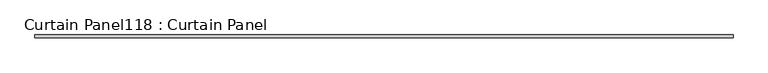
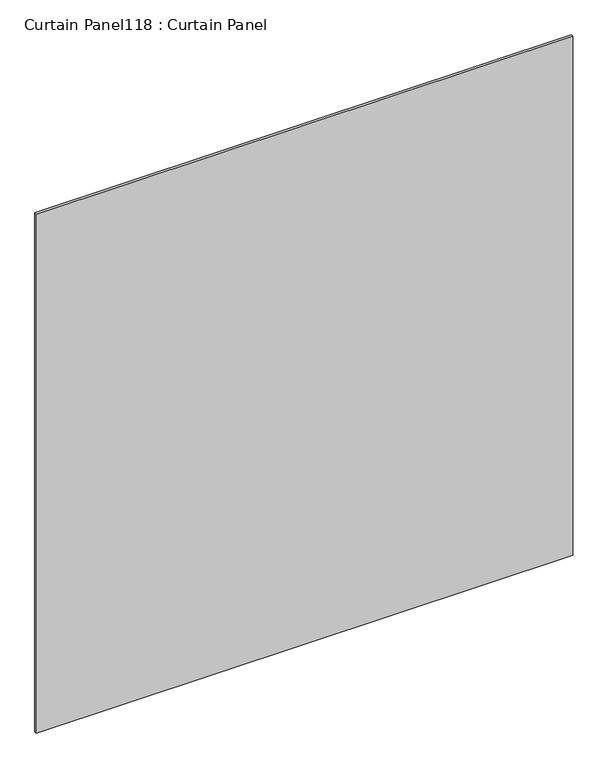
"""IFC4 building model written with IfcOpenShell, lengths in millimetres: plate geometry, Curtain Panel118 : Curtain Panel."""

import ifcopenshell
import ifcopenshell.guid

model = None  # the IFC model being written
_history = None  # IfcOwnerHistory: only IFC2X3 demands one
_inside = {}  # id of a spatial element -> (the spatial element, [elements in it])
_under = {}  # id of a project, library or spatial element -> (it, [spatial elements below it])
_declared = {}  # id of a project -> (the project, [libraries it declares])
_typed = {}  # id of a type object -> (the type object, [elements of that type])
_made_of = {}  # id of a material, layer set ... -> (it, [elements and type objects made of it])


def new_model(schema):
    """Start an empty IFC model of exactly this schema.

    Asked for "IFC4X3", IfcOpenShell would pick the latest addendum, in which some entities
    have other attributes; the version numbers below select the first issue.
    IFC2X3 requires an IfcOwnerHistory on every rooted entity: one is made here for all.
    """
    global model, _history
    if schema == "IFC4X3":
        model = ifcopenshell.file(schema_version=(4, 3, 0, 0))
    else:
        model = ifcopenshell.file(schema=schema)
    _inside.clear()
    _under.clear()
    _declared.clear()
    _typed.clear()
    _made_of.clear()
    _history = None
    if model.schema == "IFC2X3":
        org = make("IfcOrganization", Name="unknown")
        user = make(
            "IfcPersonAndOrganization",
            ThePerson=make("IfcPerson", FamilyName="unknown"),
            TheOrganization=org,
        )
        app = make(
            "IfcApplication",
            ApplicationDeveloper=org,
            Version="unknown",
            ApplicationFullName="unknown",
            ApplicationIdentifier="unknown",
        )
        _history = make(
            "IfcOwnerHistory",
            OwningUser=user,
            OwningApplication=app,
            ChangeAction="ADDED",
            CreationDate=0,
        )
    return model


def make(cls, **values):
    """One entity of the class cls with the attributes given. An attribute that is None is left unset."""
    return model.create_entity(
        cls, **{name: value for name, value in values.items() if value is not None}
    )


def rooted(cls, **values):
    """An entity with a GlobalId (a new one), such as an element, a storey or a relation."""
    return make(cls, GlobalId=ifcopenshell.guid.new(), OwnerHistory=_history, **values)


def si_unit(unit_type, name, prefix=None):
    """IfcSIUnit, for example si_unit("LENGTHUNIT", "METRE", prefix="MILLI")."""
    return make("IfcSIUnit", UnitType=unit_type, Prefix=prefix, Name=name)


def assignment(units):
    """IfcUnitAssignment: the units of a project."""
    return None if units is None else make("IfcUnitAssignment", Units=units)


def point(xyz):
    """IfcCartesianPoint."""
    return None if xyz is None else make("IfcCartesianPoint", Coordinates=xyz)


def direction(xyz):
    """IfcDirection."""
    return None if xyz is None else make("IfcDirection", DirectionRatios=xyz)


def frame(location, z_axis=None, x_axis=None):
    """IfcAxis2Placement3D, a coordinate frame: its origin and axes. An axis left out is left unset."""
    return make(
        "IfcAxis2Placement3D",
        Location=point(location),
        Axis=direction(z_axis),
        RefDirection=direction(x_axis),
    )


def origin():
    """The frame at (0, 0, 0) with its axes left unset."""
    return frame((0.0, 0.0, 0.0))


def place(relative_to, where):
    """IfcLocalPlacement: puts the frame where relative to a parent placement (None: the world)."""
    return make(
        "IfcLocalPlacement", PlacementRelTo=relative_to, RelativePlacement=where
    )


def context(
    kind, dimensions, precision=None, world=None, true_north=None, identifier=None
):
    """IfcGeometricRepresentationContext, for example the 3D "Model" context."""
    return make(
        "IfcGeometricRepresentationContext",
        ContextIdentifier=identifier,
        ContextType=kind,
        CoordinateSpaceDimension=dimensions,
        Precision=precision,
        WorldCoordinateSystem=world,
        TrueNorth=true_north,
    )


def project(units=None, contexts=None):
    """IfcProject with its units and contexts."""
    return rooted(
        "IfcProject",
        Name="project",
        RepresentationContexts=contexts,
        UnitsInContext=assignment(units),
    )


def spatial(cls, under=None, at=None, **own):
    """A site, building, storey or space (cls), placed at a placement, below another one or the project."""
    s = rooted(cls, ObjectPlacement=at, **own)
    if under is not None:
        _under.setdefault(under.id(), (under, []))[1].append(s)
    return s


def polyline(points):
    """IfcPolyline through the points."""
    return make("IfcPolyline", Points=[point(p) for p in points])


def outline(outer, holes=None, kind="AREA"):
    """IfcArbitraryClosedProfileDef: a profile drawn as a closed curve; with holes, ...WithVoids."""
    if holes is None:
        return make("IfcArbitraryClosedProfileDef", ProfileType=kind, OuterCurve=outer)
    return make(
        "IfcArbitraryProfileDefWithVoids",
        ProfileType=kind,
        OuterCurve=outer,
        InnerCurves=holes,
    )


def extrude(swept, where, along, depth):
    """IfcExtrudedAreaSolid: the profile swept, set in the frame where, extruded along a direction by depth."""
    return make(
        "IfcExtrudedAreaSolid",
        SweptArea=swept,
        Position=where,
        ExtrudedDirection=direction(along),
        Depth=depth,
    )


def shape(context_of_items, identifier, shape_type, items):
    """IfcShapeRepresentation: the items that make up one representation, for example the "Body"."""
    return make(
        "IfcShapeRepresentation",
        ContextOfItems=context_of_items,
        RepresentationIdentifier=identifier,
        RepresentationType=shape_type,
        Items=items,
    )


def source(mapping_origin, context_of_items, identifier, shape_type, items):
    """IfcRepresentationMap: a shape defined once, which mapped items show again and again."""
    return make(
        "IfcRepresentationMap",
        MappingOrigin=mapping_origin,
        MappedRepresentation=shape(context_of_items, identifier, shape_type, items),
    )


def transform(
    local_origin,
    x_axis=None,
    y_axis=None,
    z_axis=None,
    scale=None,
    scale2=None,
    scale3=None,
    uniform=True,
):
    """IfcCartesianTransformationOperator3D, or its non-uniform kind. x_axis, y_axis, z_axis: its Axis1, 2, 3."""
    if uniform:
        return make(
            "IfcCartesianTransformationOperator3D",
            Axis1=direction(x_axis),
            Axis2=direction(y_axis),
            LocalOrigin=point(local_origin),
            Scale=scale,
            Axis3=direction(z_axis),
        )
    return make(
        "IfcCartesianTransformationOperator3DnonUniform",
        Axis1=direction(x_axis),
        Axis2=direction(y_axis),
        LocalOrigin=point(local_origin),
        Scale=scale,
        Axis3=direction(z_axis),
        Scale2=scale2,
        Scale3=scale3,
    )


def mapped(mapping_source, mapping_target):
    """IfcMappedItem: shows the shape of a source again, moved by a transform."""
    return make(
        "IfcMappedItem", MappingSource=mapping_source, MappingTarget=mapping_target
    )


def made_of(thing, what):
    """Note that an element or type object is made of a material, layer set ...; save() writes the relation."""
    if what is not None:
        _made_of.setdefault(what.id(), (what, []))[1].append(thing)
    return thing


def element(
    cls,
    number,
    at=None,
    inside=None,
    cuts=None,
    type_object=None,
    material=None,
    context=None,
    identifier="Body",
    shape_type=None,
    held_by="IfcProductDefinitionShape",
    body=None,
    shapes=None,
    **own,
):
    """One element of the class cls, such as IfcWall. Its Tag is "e" and its number.

    at: its placement. inside: the storey or other place that contains it. cuts: it is an
    opening in that element (IfcRelVoidsElement). A single representation is given by context,
    identifier, shape_type and body (its items); several are given by shapes. held_by: the class
    of the entity that holds the representations. save() writes the other relations.
    """
    e = rooted(cls, Tag="e%d" % number, ObjectPlacement=at, **own)
    if body is not None:
        shapes = [shape(context, identifier, shape_type, body)]
    if shapes is not None:
        e.Representation = make(held_by, Representations=shapes)
    if inside is not None:
        _inside.setdefault(inside.id(), (inside, []))[1].append(e)
    if cuts is not None:
        rooted(
            "IfcRelVoidsElement", RelatingBuildingElement=cuts, RelatedOpeningElement=e
        )
    if type_object is not None:
        _typed.setdefault(type_object.id(), (type_object, []))[1].append(e)
    return made_of(e, material)


def aggregate(whole, parts):
    """IfcRelAggregates: a whole, such as a stair, and the parts it consists of."""
    return rooted("IfcRelAggregates", RelatingObject=whole, RelatedObjects=parts)


def save(model, path):
    """Write the relations noted so far, then the file.

    IfcRelAggregates (storeys below a building ...), IfcRelContainedInSpatialStructure (elements
    in a storey), IfcRelDefinesByType, IfcRelAssociatesMaterial and IfcRelDeclares: one each for
    every whole, place, type object, material and project.
    """
    for whole, parts in _under.values():
        aggregate(whole, parts)
    for where, things in _inside.values():
        rooted(
            "IfcRelContainedInSpatialStructure",
            RelatedElements=things,
            RelatingStructure=where,
        )
    for kind, things in _typed.values():
        rooted("IfcRelDefinesByType", RelatedObjects=things, RelatingType=kind)
    for what, things in _made_of.values():
        rooted("IfcRelAssociatesMaterial", RelatedObjects=things, RelatingMaterial=what)
    for by, libraries in _declared.values():
        rooted("IfcRelDeclares", RelatingContext=by, RelatedDefinitions=libraries)
    model.write(path)


def curtain_panel118_curtain_panel_6fe1b673(model_context):
    return source(origin(), model_context, "Body", "SweptSolid", [
        extrude(outline(polyline([(262572.1386393, 2417.6234836), (261098.9386393, 2417.6234836), (261098.9386393, 2423.9734836), (262572.1386393, 2423.9734836), (262572.1386393, 2417.6234836)])), frame((0.0, 0.0, 6456.941644), z_axis=(0.0, 0.0, 1.0), x_axis=(1.0, 0.0, 0.0)), (0.0, 0.0, 1.0), 1505.2832898),
    ])


if __name__ == "__main__":
    model = new_model("IFC4")
    model_context = context("Model", 3, world=origin())
    ifc_project = project(units=[si_unit("LENGTHUNIT", "METRE", prefix="MILLI")], contexts=[model_context])
    site = spatial("IfcSite", under=ifc_project)
    building = spatial("IfcBuilding", under=site)
    placement = place(None, origin())
    curtain_panel118_curtain_panel_shape = curtain_panel118_curtain_panel_6fe1b673(model_context)
    element("IfcPlate", 1, ObjectType="Curtain Panel118 : Curtain Panel", at=placement, inside=building, context=model_context, shape_type="MappedRepresentation", body=[
        mapped(curtain_panel118_curtain_panel_shape, transform((0.0, 0.0, 0.0), x_axis=(1.0, 0.0, 0.0), y_axis=(0.0, 1.0, 0.0), z_axis=(0.0, 0.0, 1.0))),
    ])
    save(model, "model.ifc")
